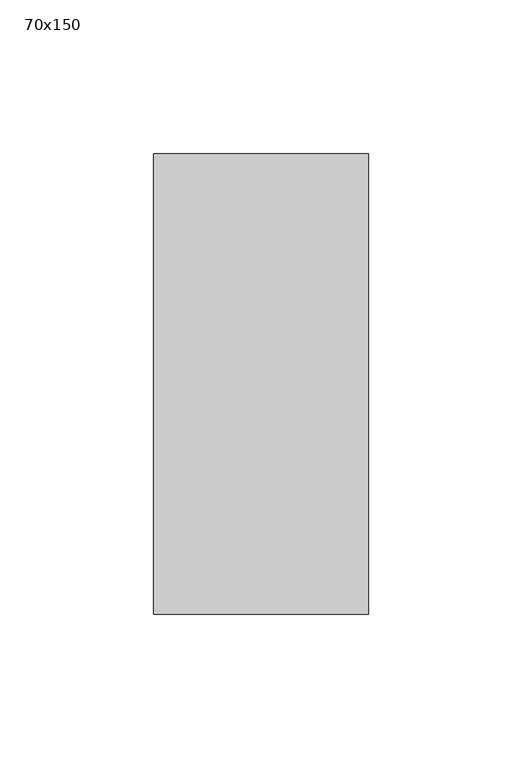
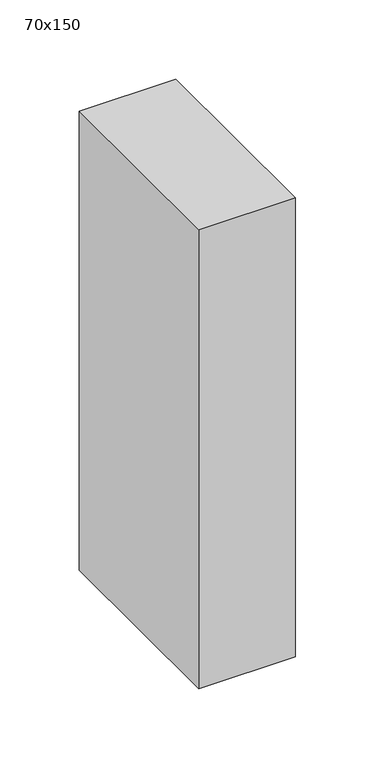
"""IFC4 building model written with IfcOpenShell, lengths in millimetres: member geometry, 70x150."""

from ifc_helpers import new_model, si_unit, frame, origin, place, context, project, spatial, polyline, outline, extrude, source, transform, mapped, element, save


def member_70x150_3f761639(model_context):
    return source(origin(), model_context, "Body", "SweptSolid", [
        extrude(outline(polyline([(35.0, 75.0), (35.0, -75.0), (-35.0, -75.0), (-35.0, 75.0), (35.0, 75.0)])), frame((0.0, 0.0, -352.1424229), z_axis=(0.0, 0.0, 1.0), x_axis=(1.0, 0.0, 0.0)), (0.0, 0.0, 1.0), 352.1424229),
    ])


if __name__ == "__main__":
    model = new_model("IFC4")
    model_context = context("Model", 3, world=origin())
    ifc_project = project(units=[si_unit("LENGTHUNIT", "METRE", prefix="MILLI")], contexts=[model_context])
    site = spatial("IfcSite", under=ifc_project)
    building = spatial("IfcBuilding", under=site)
    placement = place(None, origin())
    member_70x150_shape = member_70x150_3f761639(model_context)
    element("IfcMember", 1, ObjectType="70x150", at=placement, inside=building, context=model_context, shape_type="MappedRepresentation", body=[
        mapped(member_70x150_shape, transform((0.0, 0.0, 0.0), x_axis=(1.0, 0.0, 0.0), y_axis=(0.0, 1.0, 0.0), z_axis=(0.0, 0.0, 1.0))),
    ])
    save(model, "model.ifc")
